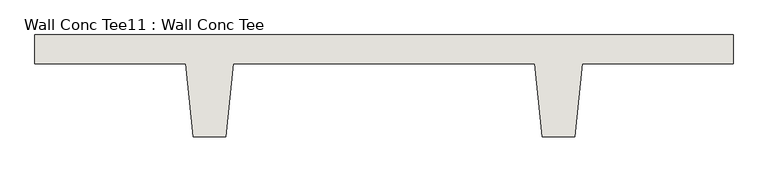
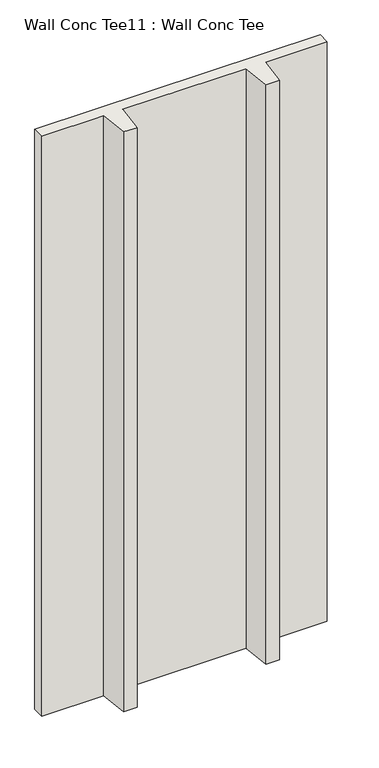
"""IFC4 building model written with IfcOpenShell, lengths in millimetres: wall geometry, Wall Conc Tee11 : Wall Conc Tee."""

from ifc_helpers import new_model, si_unit, frame, origin, place, context, project, spatial, polyline, outline, extrude, source, transform, mapped, element, save


def wall_conc_tee11_wall_conc_tee_f6901bd6(model_context):
    return source(origin(), model_context, "Body", "SweptSolid", [
        extrude(outline(polyline([(234557.0728488, 159042.8596581), (234557.0728488, 158941.2596581), (234030.0228488, 158941.2596581), (234004.6228488, 158687.2596581), (233890.3228488, 158687.2596581), (233864.9228488, 158941.2596581), (232810.8228488, 158941.2596581), (232785.4228488, 158687.2596581), (232671.1228488, 158687.2596581), (232645.7228488, 158941.2596581), (232118.6728488, 158941.2596581), (232118.6728488, 159042.8596581), (234557.0728488, 159042.8596581)])), frame((0.0, 0.0, 143.7592564), z_axis=(0.0, 0.0, 1.0), x_axis=(1.0, 0.0, 0.0)), (0.0, 0.0, 1.0), 5232.4087123),
    ])


if __name__ == "__main__":
    model = new_model("IFC4")
    model_context = context("Model", 3, world=origin())
    ifc_project = project(units=[si_unit("LENGTHUNIT", "METRE", prefix="MILLI")], contexts=[model_context])
    site = spatial("IfcSite", under=ifc_project)
    building = spatial("IfcBuilding", under=site)
    placement = place(None, origin())
    wall_conc_tee11_wall_conc_tee_shape = wall_conc_tee11_wall_conc_tee_f6901bd6(model_context)
    element("IfcWall", 1, ObjectType="Wall Conc Tee11 : Wall Conc Tee", at=placement, inside=building, context=model_context, shape_type="MappedRepresentation", body=[
        mapped(wall_conc_tee11_wall_conc_tee_shape, transform((0.0, 0.0, 0.0), x_axis=(1.0, 0.0, 0.0), y_axis=(0.0, 1.0, 0.0), z_axis=(0.0, 0.0, 1.0))),
    ])
    save(model, "model.ifc")
